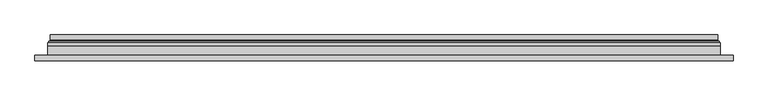
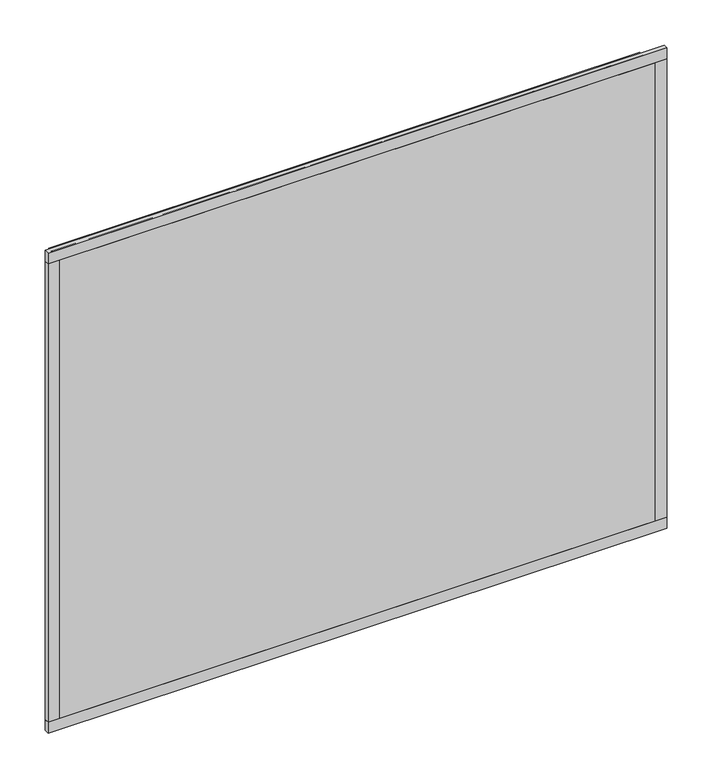
"""IFC4 building model written with IfcOpenShell, lengths in millimetres: plate geometry."""

from ifc_helpers import new_model, si_unit, frame, origin, place, context, project, spatial, polyline, ellipse_curve, outline, extrude, source, transform, mapped, element, save
from ifc_brep_helpers import plane_surface, cylinder_surface, revolved_surface, advanced_brep


def plate_bbb0b1b9(model_context):
    return source(origin(), model_context, "Body", "SolidModel", [
        extrude(outline(polyline([(624.0, -23.0), (-624.0, -23.0), (-624.0, -13.51), (624.0, -13.51), (624.0, -23.0)])), frame((0.0, 0.0, -11.5), z_axis=(0.0, 0.0, 1.0), x_axis=(1.0, 0.0, 0.0)), (0.0, 0.0, 1.0), 23.0),
        extrude(outline(polyline([(624.0, -23.0), (-624.0, -23.0), (-624.0, -13.51), (624.0, -13.51), (624.0, -23.0)])), frame((0.0, 0.0, 988.5), z_axis=(0.0, 0.0, 1.0), x_axis=(1.0, 0.0, 0.0)), (0.0, 0.0, 1.0), 23.0),
        extrude(outline(polyline([(-624.0, -23.0), (-624.0, -13.51), (-601.0, -13.51), (-601.0, -23.0), (-624.0, -23.0)])), frame((0.0, 0.0, -11.5), z_axis=(0.0, 0.0, 1.0), x_axis=(1.0, 0.0, 0.0)), (0.0, 0.0, 1.0), 1023.0),
        extrude(outline(polyline([(624.0, -23.0), (601.0, -23.0), (601.0, -13.51), (624.0, -13.51), (624.0, -23.0)])), frame((0.0, 0.0, -11.5), z_axis=(0.0, 0.0, 1.0), x_axis=(1.0, 0.0, 0.0)), (0.0, 0.0, 1.0), 1023.0),
        extrude(outline(polyline([(11.5, -601.0), (11.5, 601.0), (988.5, 601.0), (988.5, -601.0), (11.5, -601.0)]), holes=[polyline([(33.5, 579.0), (33.5, -579.0), (966.5, -579.0), (966.5, 579.0), (33.5, 579.0)])]), frame((0.0, -17.0, 0.0), z_axis=(0.0, 1.0, 0.0), x_axis=(0.0, 0.0, 1.0)), (0.0, 0.0, 1.0), 20.0),
        extrude(outline(polyline([(33.5, -579.0), (33.5, 579.0), (966.5, 579.0), (966.5, -579.0), (33.5, -579.0)]), holes=[polyline([(38.5, 574.0), (38.5, -574.0), (961.5, -574.0), (961.5, 574.0), (38.5, 574.0)])]), frame((0.0, -17.0, 0.0), z_axis=(0.0, 1.0, 0.0), x_axis=(0.0, 0.0, 1.0)), (0.0, 0.0, 1.0), 20.0),
        extrude(outline(polyline([(601.0, 9.0), (601.0, 3.0), (-601.0, 3.0), (-601.0, 9.0), (601.0, 9.0)])), frame((0.0, 0.0, 11.5), z_axis=(0.0, 0.0, 1.0), x_axis=(1.0, 0.0, 0.0)), (0.0, 0.0, 1.0), 977.0),
        extrude(outline(polyline([(-601.0, -23.0), (-601.0, -17.0), (601.0, -17.0), (601.0, -23.0), (-601.0, -23.0)])), frame((0.0, 0.0, 11.5), z_axis=(0.0, 0.0, 1.0), x_axis=(1.0, 0.0, 0.0)), (0.0, 0.0, 1.0), 977.0),
        advanced_brep(
        [(-596.5, 23.0, 16.0), (596.5, 23.0, 16.0), (596.5, 13.9230471, 16.0), (-596.5, 13.9230471, 16.0), (-587.5, 12.9110883, 25.0), (587.5, 12.9110883, 25.0), (587.5, 23.0, 25.0), (-587.5, 23.0, 25.0), (596.5, 23.0, 984.0), (596.5, 13.9230471, 984.0), (587.5, 12.9110883, 975.0), (587.5, 23.0, 975.0), (-596.5, 23.0, 984.0), (-596.5, 13.9230471, 984.0), (-587.5, 12.9110883, 975.0), (-587.5, 23.0, 975.0), (-597.7540757, 9.0, 14.7459243), (597.7540757, 9.0, 14.7459243), (597.7540757, 9.0, 985.2540757), (-597.7540757, 9.0, 985.2540757), (587.2, 9.0, 25.3), (-587.2, 9.0, 25.3), (-587.2, 9.0, 974.7), (587.2, 9.0, 974.7), (-586.5625, 11.2166581, 25.9375), (586.5625, 11.2166581, 25.9375), (-598.0737575, 11.9689955, 14.4262425), (598.0737575, 11.9689955, 14.4262425), (586.5625, 11.2166581, 974.0625), (598.0737575, 11.9689955, 985.5737575), (-586.5625, 11.2166581, 974.0625), (-598.0737575, 11.9689955, 985.5737575)],
        [
            (0, 1),
            (1, 2),
            (2, 3),
            (3, 0),
            (4, 5),
            (5, 6),
            (6, 7),
            (7, 4),
            (1, 8),
            (8, 9),
            (9, 2),
            (5, 10),
            (10, 11),
            (11, 6),
            (8, 12),
            (12, 13),
            (13, 9),
            (10, 14),
            (14, 15),
            (15, 11),
            (16, 17),
            (17, 18),
            (18, 19),
            (19, 16),
            (20, 21),
            (21, 22),
            (22, 23),
            (23, 20),
            (12, 0),
            (3, 13),
            (15, 7),
            (14, 4),
            (24, 25),
            (25, 5, ellipse_curve(frame((585.5, 12.9110883, 27.0), z_axis=(0.7071067811865475, 0.0, 0.7071067811865475), x_axis=(0.7071067811865476, 0.0, -0.7071067811865474)), 2.8284271, 2.0)),
            (4, 24, ellipse_curve(frame((-585.5, 12.9110883, 27.0), z_axis=(-0.7071067811865475, 0.0, 0.7071067811865475), x_axis=(0.7071067811865476, 0.0, 0.7071067811865474)), 2.8284271, 2.0)),
            (20, 25, ellipse_curve(frame((587.2, 10.2, 25.3), z_axis=(-0.7071067811865475, 0.0, -0.7071067811865475), x_axis=(-0.7071067811865476, 0.0, 0.7071067811865474)), 1.6970563, 1.2)),
            (24, 21, ellipse_curve(frame((-587.2, 10.2, 25.3), z_axis=(0.7071067811865475, 0.0, -0.7071067811865475), x_axis=(-0.7071067811865476, 0.0, -0.7071067811865474)), 1.6970563, 1.2)),
            (26, 27),
            (27, 17, ellipse_curve(frame((597.7540757, 10.5034569, 14.7459243), z_axis=(-0.7071067811865475, 0.0, -0.7071067811865475), x_axis=(-0.7071067811865476, 0.0, 0.7071067811865474)), 2.1213203, 1.5)),
            (16, 26, ellipse_curve(frame((-597.7540757, 10.5034569, 14.7459243), z_axis=(0.7071067811865475, 0.0, -0.7071067811865475), x_axis=(-0.7071067811865476, 0.0, -0.7071067811865474)), 2.1213203, 1.5)),
            (25, 28),
            (28, 10, ellipse_curve(frame((585.5, 12.9110883, 973.0), z_axis=(-0.7071067811865475, 0.0, 0.7071067811865475), x_axis=(0.7071067811865474, 0.0, 0.7071067811865476)), 2.8284271, 2.0)),
            (23, 28, ellipse_curve(frame((587.2, 10.2, 974.7), z_axis=(0.7071067811865475, 0.0, -0.7071067811865475), x_axis=(-0.7071067811865474, 0.0, -0.7071067811865476)), 1.6970563, 1.2)),
            (27, 29),
            (29, 18, ellipse_curve(frame((597.7540757, 10.5034569, 985.2540757), z_axis=(0.7071067811865475, 0.0, -0.7071067811865475), x_axis=(-0.7071067811865474, 0.0, -0.7071067811865476)), 2.1213203, 1.5)),
            (28, 30),
            (30, 14, ellipse_curve(frame((-585.5, 12.9110883, 973.0), z_axis=(-0.7071067811865475, 0.0, -0.7071067811865475), x_axis=(-0.7071067811865476, 0.0, 0.7071067811865474)), 2.8284271, 2.0)),
            (22, 30, ellipse_curve(frame((-587.2, 10.2, 974.7), z_axis=(0.7071067811865475, 0.0, 0.7071067811865475), x_axis=(0.7071067811865476, 0.0, -0.7071067811865474)), 1.6970563, 1.2)),
            (29, 31),
            (31, 19, ellipse_curve(frame((-597.7540757, 10.5034569, 985.2540757), z_axis=(0.7071067811865475, 0.0, 0.7071067811865475), x_axis=(0.7071067811865476, 0.0, -0.7071067811865474)), 2.1213203, 1.5)),
            (30, 24),
            (31, 26),
            (2, 27, ellipse_curve(frame((598.5, 13.9230471, 14.0), z_axis=(0.7071067811865475, 0.0, 0.7071067811865475), x_axis=(0.7071067811865476, 0.0, -0.7071067811865474)), 2.8284271, 2.0)),
            (26, 3, ellipse_curve(frame((-598.5, 13.9230471, 14.0), z_axis=(-0.7071067811865475, 0.0, 0.7071067811865475), x_axis=(0.7071067811865476, 0.0, 0.7071067811865474)), 2.8284271, 2.0)),
            (9, 29, ellipse_curve(frame((598.5, 13.9230471, 986.0), z_axis=(-0.7071067811865475, 0.0, 0.7071067811865475), x_axis=(0.7071067811865474, 0.0, 0.7071067811865476)), 2.8284271, 2.0)),
            (13, 31, ellipse_curve(frame((-598.5, 13.9230471, 986.0), z_axis=(-0.7071067811865475, 0.0, -0.7071067811865475), x_axis=(-0.7071067811865476, 0.0, 0.7071067811865474)), 2.8284271, 2.0)),
        ],
        [
            plane_surface(frame((-596.5, 13.9230471, 16.0), z_axis=(0.0, 0.0, -1.0), x_axis=(1.0, 0.0, 0.0))),
            plane_surface(frame((-587.5, 23.0, 25.0), z_axis=(0.0, 0.0, 1.0), x_axis=(1.0, 0.0, 0.0))),
            plane_surface(frame((596.5, 13.9230471, 16.0), z_axis=(1.0, 0.0, 0.0), x_axis=(0.0, 0.0, 1.0))),
            plane_surface(frame((587.5, 23.0, 25.0), z_axis=(-1.0, 0.0, 0.0), x_axis=(0.0, 0.0, 1.0))),
            plane_surface(frame((596.5, 13.9230471, 984.0), z_axis=(0.0, 0.0, 1.0), x_axis=(-1.0, 0.0, 0.0))),
            plane_surface(frame((587.5, 23.0, 975.0), z_axis=(0.0, 0.0, -1.0), x_axis=(-1.0, 0.0, 0.0))),
            plane_surface(frame((-587.2, 9.0, 974.7), z_axis=(0.0, -1.0, 0.0), x_axis=(0.0, 0.0, -1.0))),
            plane_surface(frame((-596.5, 13.9230471, 984.0), z_axis=(-1.0, 0.0, 0.0), x_axis=(0.0, 0.0, -1.0))),
            plane_surface(frame((-596.5, 23.0, 984.0), z_axis=(0.0, 1.0, 0.0), x_axis=(0.0, 0.0, -1.0))),
            plane_surface(frame((-587.5, 23.0, 975.0), z_axis=(1.0, 0.0, 0.0), x_axis=(0.0, 0.0, -1.0))),
            revolved_surface(polyline([(587.5, 10.9110883, 27.0), (-587.5, 10.9110883, 27.0)]), (-601.0, 12.9110883, 27.0), (1.0, 0.0, 0.0)),
            cylinder_surface(frame((-601.0, 10.2, 25.3), z_axis=(-1.0, 0.0, 0.0), x_axis=(0.0, -1.0, 0.0)), 1.2),
            cylinder_surface(frame((-601.0, 10.5034569, 14.7459243), z_axis=(-1.0, 0.0, 0.0), x_axis=(0.0, -1.0, 0.0)), 1.5),
            revolved_surface(polyline([(585.5, 10.9110883, 975.0), (585.5, 10.9110883, 25.0)]), (585.5, 12.9110883, 11.5), (0.0, 0.0, 1.0)),
            cylinder_surface(frame((587.2, 10.2, 11.5), z_axis=(0.0, 0.0, -1.0), x_axis=(0.0, -1.0, 0.0)), 1.2),
            cylinder_surface(frame((597.7540757, 10.5034569, 11.5), z_axis=(0.0, 0.0, -1.0), x_axis=(0.0, -1.0, 0.0)), 1.5),
            revolved_surface(polyline([(-587.5, 10.9110883, 973.0), (587.5, 10.9110883, 973.0)]), (601.0, 12.9110883, 973.0), (-1.0, 0.0, 0.0)),
            cylinder_surface(frame((601.0, 10.2, 974.7), z_axis=(1.0, 0.0, 0.0), x_axis=(0.0, -1.0, 0.0)), 1.2),
            cylinder_surface(frame((601.0, 10.5034569, 985.2540757), z_axis=(1.0, 0.0, 0.0), x_axis=(0.0, -1.0, 0.0)), 1.5),
            revolved_surface(polyline([(-585.5, 10.9110883, 25.0), (-585.5, 10.9110883, 975.0)]), (-585.5, 12.9110883, 988.5), (0.0, 0.0, -1.0)),
            cylinder_surface(frame((-587.2, 10.2, 988.5), z_axis=(0.0, 0.0, 1.0), x_axis=(0.0, -1.0, 0.0)), 1.2),
            cylinder_surface(frame((-597.7540757, 10.5034569, 988.5), z_axis=(0.0, 0.0, 1.0), x_axis=(0.0, -1.0, 0.0)), 1.5),
            revolved_surface(polyline([(600.4999999825018, 11.9230471, 14.0), (-600.4999999825018, 11.9230471, 14.0)]), (-601.0, 13.9230471, 14.0), (1.0, 0.0, 0.0)),
            revolved_surface(polyline([(598.5, 11.9230471, 987.9999999825018), (598.5, 11.9230471, 12.000000017498198)]), (598.5, 13.9230471, 11.5), (0.0, 0.0, 1.0)),
            revolved_surface(polyline([(-600.4999999825018, 11.9230471, 986.0), (600.4999999825018, 11.9230471, 986.0)]), (601.0, 13.9230471, 986.0), (-1.0, 0.0, 0.0)),
            revolved_surface(polyline([(-598.5, 11.9230471, 12.000000017498223), (-598.5, 11.9230471, 987.9999999825018)]), (-598.5, 13.9230471, 988.5), (0.0, 0.0, -1.0)),
        ],
        [
            (0, [[1, 2, 3, 4]]),
            (1, [[5, 6, 7, 8]]),
            (2, [[9, 10, 11, -2]]),
            (3, [[12, 13, 14, -6]]),
            (4, [[15, 16, 17, -10]]),
            (5, [[18, 19, 20, -13]]),
            (6, [[21, 22, 23, 24], [25, 26, 27, 28]]),
            (7, [[29, -4, 30, -16]]),
            (8, [[-1, -29, -15, -9], [-7, -14, -20, 31]]),
            (9, [[32, -8, -31, -19]]),
            (10, [[33, 34, -5, 35]]),
            (11, [[-25, 36, -33, 37]]),
            (12, [[38, 39, -21, 40]]),
            (13, [[41, 42, -12, -34]]),
            (14, [[-28, 43, -41, -36]]),
            (15, [[44, 45, -22, -39]]),
            (16, [[46, 47, -18, -42]]),
            (17, [[-27, 48, -46, -43]]),
            (18, [[49, 50, -23, -45]]),
            (19, [[51, -35, -32, -47]]),
            (20, [[-26, -37, -51, -48]]),
            (21, [[52, -40, -24, -50]]),
            (22, [[-3, 53, -38, 54]]),
            (23, [[-11, 55, -44, -53]]),
            (24, [[-17, 56, -49, -55]]),
            (25, [[-30, -54, -52, -56]]),
        ],
    ),
    ])


if __name__ == "__main__":
    model = new_model("IFC4")
    model_context = context("Model", 3, world=origin())
    ifc_project = project(units=[si_unit("LENGTHUNIT", "METRE", prefix="MILLI")], contexts=[model_context])
    site = spatial("IfcSite", under=ifc_project)
    building = spatial("IfcBuilding", under=site)
    placement = place(None, origin())
    plate_shape = plate_bbb0b1b9(model_context)
    element("IfcPlate", 1, at=placement, inside=building, context=model_context, shape_type="MappedRepresentation", body=[
        mapped(plate_shape, transform((0.0, 0.0, 0.0), x_axis=(1.0, 0.0, 0.0), y_axis=(0.0, 1.0, 0.0), z_axis=(0.0, 0.0, 1.0))),
    ])
    save(model, "model.ifc")
